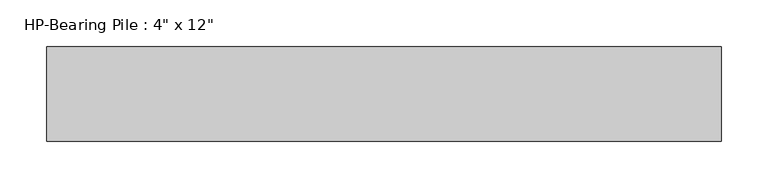
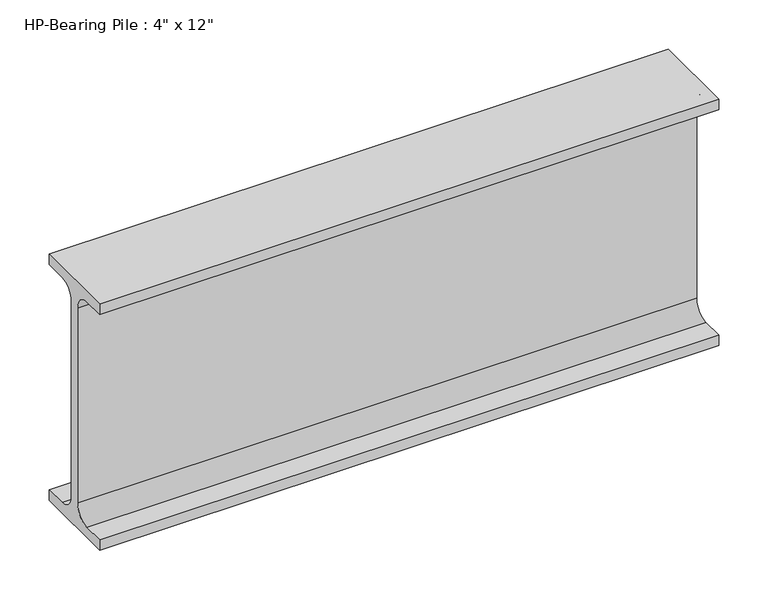
"""IFC4 building model written with IfcOpenShell, lengths in millimetres: beam geometry."""

import ifcopenshell
import ifcopenshell.guid

model = None  # the IFC model being written
_history = None  # IfcOwnerHistory: only IFC2X3 demands one
_inside = {}  # id of a spatial element -> (the spatial element, [elements in it])
_under = {}  # id of a project, library or spatial element -> (it, [spatial elements below it])
_declared = {}  # id of a project -> (the project, [libraries it declares])
_typed = {}  # id of a type object -> (the type object, [elements of that type])
_made_of = {}  # id of a material, layer set ... -> (it, [elements and type objects made of it])


def new_model(schema):
    """Start an empty IFC model of exactly this schema.

    Asked for "IFC4X3", IfcOpenShell would pick the latest addendum, in which some entities
    have other attributes; the version numbers below select the first issue.
    IFC2X3 requires an IfcOwnerHistory on every rooted entity: one is made here for all.
    """
    global model, _history
    if schema == "IFC4X3":
        model = ifcopenshell.file(schema_version=(4, 3, 0, 0))
    else:
        model = ifcopenshell.file(schema=schema)
    _inside.clear()
    _under.clear()
    _declared.clear()
    _typed.clear()
    _made_of.clear()
    _history = None
    if model.schema == "IFC2X3":
        org = make("IfcOrganization", Name="unknown")
        user = make(
            "IfcPersonAndOrganization",
            ThePerson=make("IfcPerson", FamilyName="unknown"),
            TheOrganization=org,
        )
        app = make(
            "IfcApplication",
            ApplicationDeveloper=org,
            Version="unknown",
            ApplicationFullName="unknown",
            ApplicationIdentifier="unknown",
        )
        _history = make(
            "IfcOwnerHistory",
            OwningUser=user,
            OwningApplication=app,
            ChangeAction="ADDED",
            CreationDate=0,
        )
    return model


def make(cls, **values):
    """One entity of the class cls with the attributes given. An attribute that is None is left unset."""
    return model.create_entity(
        cls, **{name: value for name, value in values.items() if value is not None}
    )


def rooted(cls, **values):
    """An entity with a GlobalId (a new one), such as an element, a storey or a relation."""
    return make(cls, GlobalId=ifcopenshell.guid.new(), OwnerHistory=_history, **values)


def si_unit(unit_type, name, prefix=None):
    """IfcSIUnit, for example si_unit("LENGTHUNIT", "METRE", prefix="MILLI")."""
    return make("IfcSIUnit", UnitType=unit_type, Prefix=prefix, Name=name)


def assignment(units):
    """IfcUnitAssignment: the units of a project."""
    return None if units is None else make("IfcUnitAssignment", Units=units)


def point(xyz):
    """IfcCartesianPoint."""
    return None if xyz is None else make("IfcCartesianPoint", Coordinates=xyz)


def direction(xyz):
    """IfcDirection."""
    return None if xyz is None else make("IfcDirection", DirectionRatios=xyz)


def frame(location, z_axis=None, x_axis=None):
    """IfcAxis2Placement3D, a coordinate frame: its origin and axes. An axis left out is left unset."""
    return make(
        "IfcAxis2Placement3D",
        Location=point(location),
        Axis=direction(z_axis),
        RefDirection=direction(x_axis),
    )


def frame_2d(location, x_axis=None):
    """IfcAxis2Placement2D, a coordinate frame in the plane: its origin and x axis."""
    return make(
        "IfcAxis2Placement2D", Location=point(location), RefDirection=direction(x_axis)
    )


def origin():
    """The frame at (0, 0, 0) with its axes left unset."""
    return frame((0.0, 0.0, 0.0))


def place(relative_to, where):
    """IfcLocalPlacement: puts the frame where relative to a parent placement (None: the world)."""
    return make(
        "IfcLocalPlacement", PlacementRelTo=relative_to, RelativePlacement=where
    )


def context(
    kind, dimensions, precision=None, world=None, true_north=None, identifier=None
):
    """IfcGeometricRepresentationContext, for example the 3D "Model" context."""
    return make(
        "IfcGeometricRepresentationContext",
        ContextIdentifier=identifier,
        ContextType=kind,
        CoordinateSpaceDimension=dimensions,
        Precision=precision,
        WorldCoordinateSystem=world,
        TrueNorth=true_north,
    )


def project(units=None, contexts=None):
    """IfcProject with its units and contexts."""
    return rooted(
        "IfcProject",
        Name="project",
        RepresentationContexts=contexts,
        UnitsInContext=assignment(units),
    )


def spatial(cls, under=None, at=None, **own):
    """A site, building, storey or space (cls), placed at a placement, below another one or the project."""
    s = rooted(cls, ObjectPlacement=at, **own)
    if under is not None:
        _under.setdefault(under.id(), (under, []))[1].append(s)
    return s


def polyline(points):
    """IfcPolyline through the points."""
    return make("IfcPolyline", Points=[point(p) for p in points])


def circle_curve(where, radius):
    """IfcCircle in the frame where."""
    return make("IfcCircle", Position=where, Radius=radius)


def trimmed(basis, trim1, trim2, sense, master):
    """IfcTrimmedCurve: the piece of a basis curve between two trims."""
    return make(
        "IfcTrimmedCurve",
        BasisCurve=basis,
        Trim1=trim1,
        Trim2=trim2,
        SenseAgreement=sense,
        MasterRepresentation=master,
    )


def segment(curve, same_sense, transition):
    """IfcCompositeCurveSegment."""
    return make(
        "IfcCompositeCurveSegment",
        Transition=transition,
        SameSense=same_sense,
        ParentCurve=curve,
    )


def composite_curve(segments, self_intersect=None):
    """IfcCompositeCurve: segments joined end to end."""
    return make("IfcCompositeCurve", Segments=segments, SelfIntersect=self_intersect)


def outline(outer, holes=None, kind="AREA"):
    """IfcArbitraryClosedProfileDef: a profile drawn as a closed curve; with holes, ...WithVoids."""
    if holes is None:
        return make("IfcArbitraryClosedProfileDef", ProfileType=kind, OuterCurve=outer)
    return make(
        "IfcArbitraryProfileDefWithVoids",
        ProfileType=kind,
        OuterCurve=outer,
        InnerCurves=holes,
    )


def extrude(swept, where, along, depth):
    """IfcExtrudedAreaSolid: the profile swept, set in the frame where, extruded along a direction by depth."""
    return make(
        "IfcExtrudedAreaSolid",
        SweptArea=swept,
        Position=where,
        ExtrudedDirection=direction(along),
        Depth=depth,
    )


def shape(context_of_items, identifier, shape_type, items):
    """IfcShapeRepresentation: the items that make up one representation, for example the "Body"."""
    return make(
        "IfcShapeRepresentation",
        ContextOfItems=context_of_items,
        RepresentationIdentifier=identifier,
        RepresentationType=shape_type,
        Items=items,
    )


def source(mapping_origin, context_of_items, identifier, shape_type, items):
    """IfcRepresentationMap: a shape defined once, which mapped items show again and again."""
    return make(
        "IfcRepresentationMap",
        MappingOrigin=mapping_origin,
        MappedRepresentation=shape(context_of_items, identifier, shape_type, items),
    )


def transform(
    local_origin,
    x_axis=None,
    y_axis=None,
    z_axis=None,
    scale=None,
    scale2=None,
    scale3=None,
    uniform=True,
):
    """IfcCartesianTransformationOperator3D, or its non-uniform kind. x_axis, y_axis, z_axis: its Axis1, 2, 3."""
    if uniform:
        return make(
            "IfcCartesianTransformationOperator3D",
            Axis1=direction(x_axis),
            Axis2=direction(y_axis),
            LocalOrigin=point(local_origin),
            Scale=scale,
            Axis3=direction(z_axis),
        )
    return make(
        "IfcCartesianTransformationOperator3DnonUniform",
        Axis1=direction(x_axis),
        Axis2=direction(y_axis),
        LocalOrigin=point(local_origin),
        Scale=scale,
        Axis3=direction(z_axis),
        Scale2=scale2,
        Scale3=scale3,
    )


def mapped(mapping_source, mapping_target):
    """IfcMappedItem: shows the shape of a source again, moved by a transform."""
    return make(
        "IfcMappedItem", MappingSource=mapping_source, MappingTarget=mapping_target
    )


def made_of(thing, what):
    """Note that an element or type object is made of a material, layer set ...; save() writes the relation."""
    if what is not None:
        _made_of.setdefault(what.id(), (what, []))[1].append(thing)
    return thing


def element(
    cls,
    number,
    at=None,
    inside=None,
    cuts=None,
    type_object=None,
    material=None,
    context=None,
    identifier="Body",
    shape_type=None,
    held_by="IfcProductDefinitionShape",
    body=None,
    shapes=None,
    **own,
):
    """One element of the class cls, such as IfcWall. Its Tag is "e" and its number.

    at: its placement. inside: the storey or other place that contains it. cuts: it is an
    opening in that element (IfcRelVoidsElement). A single representation is given by context,
    identifier, shape_type and body (its items); several are given by shapes. held_by: the class
    of the entity that holds the representations. save() writes the other relations.
    """
    e = rooted(cls, Tag="e%d" % number, ObjectPlacement=at, **own)
    if body is not None:
        shapes = [shape(context, identifier, shape_type, body)]
    if shapes is not None:
        e.Representation = make(held_by, Representations=shapes)
    if inside is not None:
        _inside.setdefault(inside.id(), (inside, []))[1].append(e)
    if cuts is not None:
        rooted(
            "IfcRelVoidsElement", RelatingBuildingElement=cuts, RelatedOpeningElement=e
        )
    if type_object is not None:
        _typed.setdefault(type_object.id(), (type_object, []))[1].append(e)
    return made_of(e, material)


def aggregate(whole, parts):
    """IfcRelAggregates: a whole, such as a stair, and the parts it consists of."""
    return rooted("IfcRelAggregates", RelatingObject=whole, RelatedObjects=parts)


def save(model, path):
    """Write the relations noted so far, then the file.

    IfcRelAggregates (storeys below a building ...), IfcRelContainedInSpatialStructure (elements
    in a storey), IfcRelDefinesByType, IfcRelAssociatesMaterial and IfcRelDeclares: one each for
    every whole, place, type object, material and project.
    """
    for whole, parts in _under.values():
        aggregate(whole, parts)
    for where, things in _inside.values():
        rooted(
            "IfcRelContainedInSpatialStructure",
            RelatedElements=things,
            RelatingStructure=where,
        )
    for kind, things in _typed.values():
        rooted("IfcRelDefinesByType", RelatedObjects=things, RelatingType=kind)
    for what, things in _made_of.values():
        rooted("IfcRelAssociatesMaterial", RelatedObjects=things, RelatingMaterial=what)
    for by, libraries in _declared.values():
        rooted("IfcRelDeclares", RelatingContext=by, RelatedDefinitions=libraries)
    model.write(path)


def beam_82b2d2c0(model_context):
    return source(origin(), model_context, "Body", "SweptSolid", [
        extrude(outline(composite_curve([segment(polyline([(50.8, -139.303125), (50.8, -152.4), (-50.8, -152.4), (-50.8, -139.303125), (-25.2015625, -139.303125)]), True, "CONTINUOUS"), segment(trimmed(circle_curve(frame_2d((-25.2015625, -120.65)), 18.653125), [point((-25.2015625, -139.303125))], [point((-6.5484375, -120.65))], True, "CARTESIAN"), True, "CONTINUOUS"), segment(polyline([(-6.5484375, -120.65), (-6.5484375, 120.65)]), True, "CONTINUOUS"), segment(trimmed(circle_curve(frame_2d((-25.2015625, 120.65)), 18.653125), [point((-6.5484375, 120.65))], [point((-25.2015625, 139.303125))], True, "CARTESIAN"), True, "CONTINUOUS"), segment(polyline([(-25.2015625, 139.303125), (-50.8, 139.303125), (-50.8, 152.4), (50.8, 152.4), (50.8, 139.303125), (25.2015625, 139.303125)]), True, "CONTINUOUS"), segment(trimmed(circle_curve(frame_2d((25.2015625, 120.65)), 18.653125), [point((25.2015625, 139.303125))], [point((6.5484375, 120.65))], True, "CARTESIAN"), True, "CONTINUOUS"), segment(polyline([(6.5484375, 120.65), (6.5484375, -120.65)]), True, "CONTINUOUS"), segment(trimmed(circle_curve(frame_2d((25.2015625, -120.65)), 18.653125), [point((6.5484375, -120.65))], [point((25.2015625, -139.303125))], True, "CARTESIAN"), True, "CONTINUOUS"), segment(polyline([(25.2015625, -139.303125), (50.8, -139.303125)]), True, "CONTINUOUS")], self_intersect=False)), frame((-361.95, 0.0, 0.0), z_axis=(1.0, 0.0, 0.0), x_axis=(0.0, 1.0, 0.0)), (0.0, 0.0, 1.0), 723.9),
    ])


if __name__ == "__main__":
    model = new_model("IFC4")
    model_context = context("Model", 3, world=origin())
    ifc_project = project(units=[si_unit("LENGTHUNIT", "METRE", prefix="MILLI")], contexts=[model_context])
    site = spatial("IfcSite", under=ifc_project)
    building = spatial("IfcBuilding", under=site)
    placement = place(None, origin())
    beam_shape = beam_82b2d2c0(model_context)
    element("IfcBeam", 1, ObjectType="HP-Bearing Pile : 4\" x 12\"", at=placement, inside=building, context=model_context, shape_type="MappedRepresentation", body=[
        mapped(beam_shape, transform((0.0, 0.0, 0.0), x_axis=(1.0, 0.0, 0.0), y_axis=(0.0, 1.0, 0.0), z_axis=(0.0, 0.0, 1.0))),
    ])
    save(model, "model.ifc")
